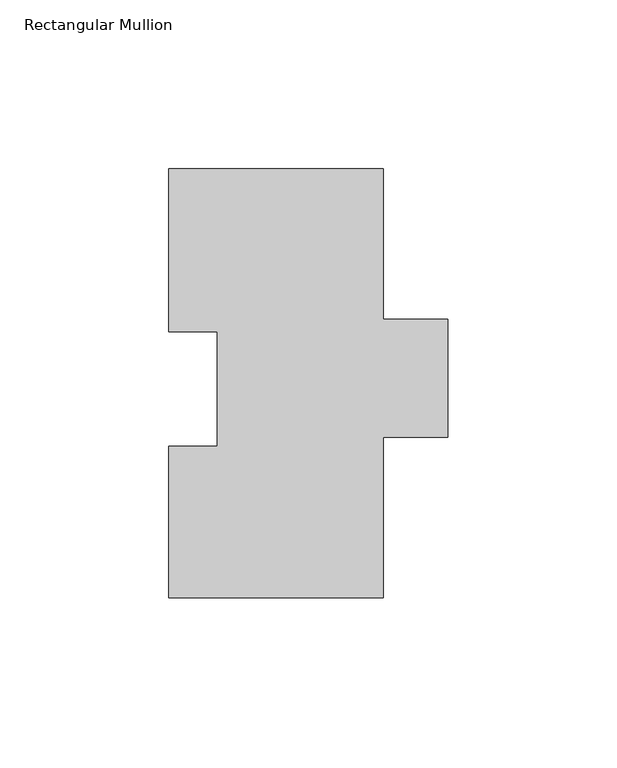
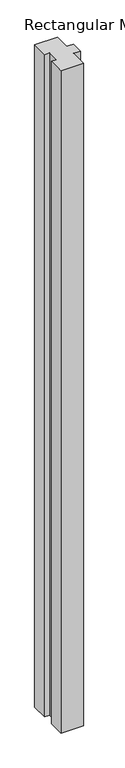
"""IFC4 building model written with IfcOpenShell, lengths in millimetres: member geometry, Rectangular Mullion."""

from ifc_helpers import new_model, si_unit, frame, origin, place, context, project, spatial, polyline, outline, extrude, source, transform, mapped, element, save


def rectangular_mullion_fd0aa4c7(model_context):
    return source(origin(), model_context, "Body", "SweptSolid", [
        extrude(outline(polyline([(-31.75, 127.3857625), (31.75, 127.3857625), (31.75, 82.9357625), (50.8, 82.9357625), (50.8, 48.0107625), (31.75, 48.0107625), (31.75, 0.3857625), (-31.75, 0.3857625), (-31.75, 45.2929625), (-17.46504, 45.2929625), (-17.46504, 79.1765625), (-31.75, 79.1765625), (-31.75, 127.3857625)])), frame((0.0, 0.0, -1961.9091858), z_axis=(0.0, 0.0, 1.0), x_axis=(1.0, 0.0, 0.0)), (0.0, 0.0, 1.0), 1961.9091858),
    ])


if __name__ == "__main__":
    model = new_model("IFC4")
    model_context = context("Model", 3, world=origin())
    ifc_project = project(units=[si_unit("LENGTHUNIT", "METRE", prefix="MILLI")], contexts=[model_context])
    site = spatial("IfcSite", under=ifc_project)
    building = spatial("IfcBuilding", under=site)
    placement = place(None, origin())
    rectangular_mullion_shape = rectangular_mullion_fd0aa4c7(model_context)
    element("IfcMember", 1, ObjectType="Rectangular Mullion", at=placement, inside=building, context=model_context, shape_type="MappedRepresentation", body=[
        mapped(rectangular_mullion_shape, transform((0.0, 0.0, 0.0), x_axis=(1.0, 0.0, 0.0), y_axis=(0.0, 1.0, 0.0), z_axis=(0.0, 0.0, 1.0))),
    ])
    save(model, "model.ifc")
